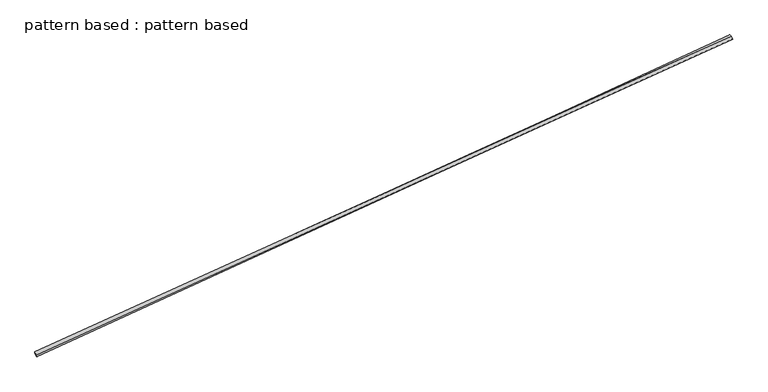
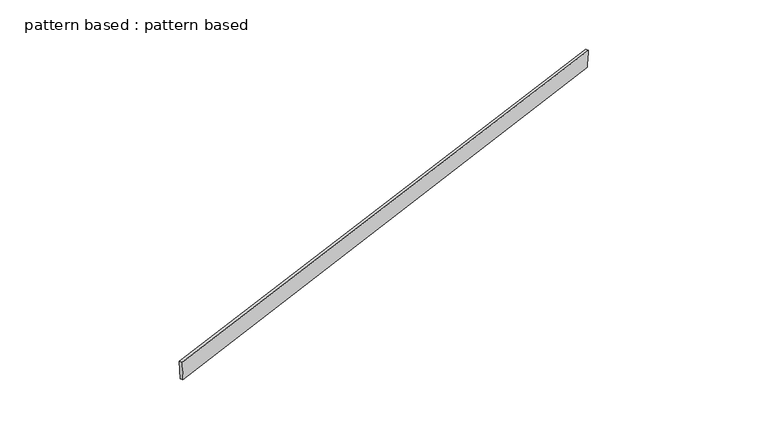
"""IFC4 building model written with IfcOpenShell, lengths in millimetres: plate geometry, pattern based : pattern based."""

from ifc_helpers import new_model, si_unit, frame, origin, place, context, project, spatial, source, transform, mapped, element, save
from ifc_brep_helpers import plane_surface, spline_surface, advanced_brep


def pattern_based_pattern_based_1e7b871a(model_context):
    return source(origin(), model_context, "Body", "AdvancedBrep", [
        advanced_brep(
        [(2618.0548101, 2618.0548101, 58.4039554), (2617.5763091, 2627.4924625, 208.1059986), (2607.2109321, 2650.2423114, 208.163705), (2607.6894331, 2640.8046591, 58.4616618), (7194.3171852, 4703.0276777, 90.7729482), (7183.9518082, 4725.7775267, 90.8306546), (7187.1928453, 4710.1966743, -58.886162), (7176.8274682, 4732.9465233, -58.8284556)],
        [
            (0, 1),
            (1, 2),
            (2, 3),
            (3, 0),
            (1, 4),
            (4, 5),
            (5, 2),
            (4, 6),
            (6, 7),
            (7, 5),
            (6, 0),
            (3, 7),
        ],
        [
            plane_surface(frame((2617.8155596, 2622.7736363, 133.254977), z_axis=(-0.9097286551834445, -0.4145531194752597, 0.02322681793643786), x_axis=(-0.0031900068749845106, 0.06291768202652731, 0.9980136217229434))),
            plane_surface(frame((4905.9467472, 3665.2600701, 149.4394734), z_axis=(0.022193965650175448, 0.007576239204362971, 0.9997249764251354), x_axis=(0.9104779340880641, 0.41289840654000937, -0.02334175262169024))),
            plane_surface(frame((7190.7550152, 4706.612176, 15.9433931), z_axis=(0.9097237365520613, 0.41455144042751735, -0.023448377198145246), x_axis=(-0.04749559967047854, 0.04779331108711125, -0.99772740136135))),
            plane_surface(frame((4902.6238277, 3664.1257422, -0.2411033), z_axis=(-0.022193965650175597, -0.007576239204362668, -0.9997249764251354), x_axis=(-0.9089714563509927, -0.4162048120617719, 0.023333365719084502))),
            spline_surface(1, 1, [[(2607.2109321, 2650.2423114, 208.163705), (2607.6894331, 2640.8046591, 58.4616618)], [(7183.9518082, 4725.7775267, 90.8306546), (7176.8274682, 4732.9465233, -58.8284556)]], [2, 2], [2, 2], [0.0, 1.0], [0.0, 1.0]),
            spline_surface(1, 1, [[(7187.1928453, 4710.1966743, -58.886162), (2618.0548101, 2618.0548101, 58.4039554)], [(7194.3171852, 4703.0276777, 90.7729482), (2617.5763091, 2627.4924625, 208.1059986)]], [2, 2], [2, 2], [0.0, 1.0], [0.0, 1.0]),
        ],
        [
            (0, [[1, 2, 3, 4]]),
            (1, [[5, 6, 7, -2]]),
            (2, [[8, 9, 10, -6]]),
            (3, [[11, -4, 12, -9]]),
            (4, [[-3, -7, -10, -12]]),
            (5, [[-11, -8, -5, -1]]),
        ],
    ),
    ])


if __name__ == "__main__":
    model = new_model("IFC4")
    model_context = context("Model", 3, world=origin())
    ifc_project = project(units=[si_unit("LENGTHUNIT", "METRE", prefix="MILLI")], contexts=[model_context])
    site = spatial("IfcSite", under=ifc_project)
    building = spatial("IfcBuilding", under=site)
    placement = place(None, origin())
    pattern_based_pattern_based_shape = pattern_based_pattern_based_1e7b871a(model_context)
    element("IfcPlate", 1, ObjectType="pattern based : pattern based", at=placement, inside=building, context=model_context, shape_type="MappedRepresentation", body=[
        mapped(pattern_based_pattern_based_shape, transform((0.0, 0.0, 0.0), x_axis=(1.0, 0.0, 0.0), y_axis=(0.0, 1.0, 0.0), z_axis=(0.0, 0.0, 1.0))),
    ])
    save(model, "model.ifc")
